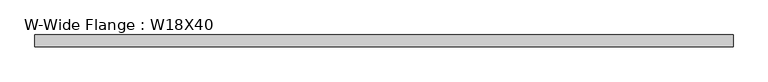
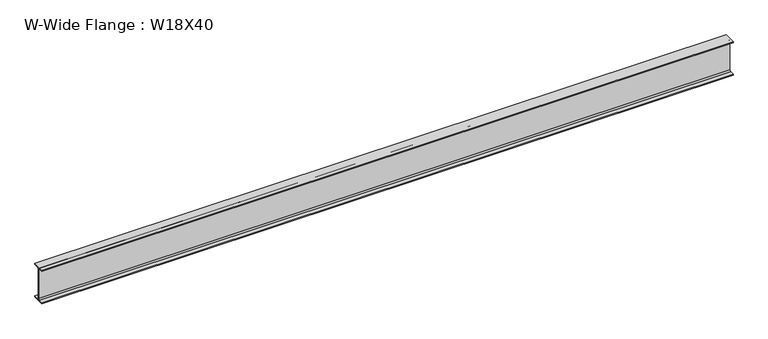
"""IFC4 building model written with IfcOpenShell, lengths in millimetres: beam geometry, W-Wide Flange : W18X40."""

import ifcopenshell
import ifcopenshell.guid

model = None  # the IFC model being written
_history = None  # IfcOwnerHistory: only IFC2X3 demands one
_inside = {}  # id of a spatial element -> (the spatial element, [elements in it])
_under = {}  # id of a project, library or spatial element -> (it, [spatial elements below it])
_declared = {}  # id of a project -> (the project, [libraries it declares])
_typed = {}  # id of a type object -> (the type object, [elements of that type])
_made_of = {}  # id of a material, layer set ... -> (it, [elements and type objects made of it])


def new_model(schema):
    """Start an empty IFC model of exactly this schema.

    Asked for "IFC4X3", IfcOpenShell would pick the latest addendum, in which some entities
    have other attributes; the version numbers below select the first issue.
    IFC2X3 requires an IfcOwnerHistory on every rooted entity: one is made here for all.
    """
    global model, _history
    if schema == "IFC4X3":
        model = ifcopenshell.file(schema_version=(4, 3, 0, 0))
    else:
        model = ifcopenshell.file(schema=schema)
    _inside.clear()
    _under.clear()
    _declared.clear()
    _typed.clear()
    _made_of.clear()
    _history = None
    if model.schema == "IFC2X3":
        org = make("IfcOrganization", Name="unknown")
        user = make(
            "IfcPersonAndOrganization",
            ThePerson=make("IfcPerson", FamilyName="unknown"),
            TheOrganization=org,
        )
        app = make(
            "IfcApplication",
            ApplicationDeveloper=org,
            Version="unknown",
            ApplicationFullName="unknown",
            ApplicationIdentifier="unknown",
        )
        _history = make(
            "IfcOwnerHistory",
            OwningUser=user,
            OwningApplication=app,
            ChangeAction="ADDED",
            CreationDate=0,
        )
    return model


def make(cls, **values):
    """One entity of the class cls with the attributes given. An attribute that is None is left unset."""
    return model.create_entity(
        cls, **{name: value for name, value in values.items() if value is not None}
    )


def rooted(cls, **values):
    """An entity with a GlobalId (a new one), such as an element, a storey or a relation."""
    return make(cls, GlobalId=ifcopenshell.guid.new(), OwnerHistory=_history, **values)


def si_unit(unit_type, name, prefix=None):
    """IfcSIUnit, for example si_unit("LENGTHUNIT", "METRE", prefix="MILLI")."""
    return make("IfcSIUnit", UnitType=unit_type, Prefix=prefix, Name=name)


def assignment(units):
    """IfcUnitAssignment: the units of a project."""
    return None if units is None else make("IfcUnitAssignment", Units=units)


def point(xyz):
    """IfcCartesianPoint."""
    return None if xyz is None else make("IfcCartesianPoint", Coordinates=xyz)


def direction(xyz):
    """IfcDirection."""
    return None if xyz is None else make("IfcDirection", DirectionRatios=xyz)


def frame(location, z_axis=None, x_axis=None):
    """IfcAxis2Placement3D, a coordinate frame: its origin and axes. An axis left out is left unset."""
    return make(
        "IfcAxis2Placement3D",
        Location=point(location),
        Axis=direction(z_axis),
        RefDirection=direction(x_axis),
    )


def frame_2d(location, x_axis=None):
    """IfcAxis2Placement2D, a coordinate frame in the plane: its origin and x axis."""
    return make(
        "IfcAxis2Placement2D", Location=point(location), RefDirection=direction(x_axis)
    )


def origin():
    """The frame at (0, 0, 0) with its axes left unset."""
    return frame((0.0, 0.0, 0.0))


def place(relative_to, where):
    """IfcLocalPlacement: puts the frame where relative to a parent placement (None: the world)."""
    return make(
        "IfcLocalPlacement", PlacementRelTo=relative_to, RelativePlacement=where
    )


def context(
    kind, dimensions, precision=None, world=None, true_north=None, identifier=None
):
    """IfcGeometricRepresentationContext, for example the 3D "Model" context."""
    return make(
        "IfcGeometricRepresentationContext",
        ContextIdentifier=identifier,
        ContextType=kind,
        CoordinateSpaceDimension=dimensions,
        Precision=precision,
        WorldCoordinateSystem=world,
        TrueNorth=true_north,
    )


def project(units=None, contexts=None):
    """IfcProject with its units and contexts."""
    return rooted(
        "IfcProject",
        Name="project",
        RepresentationContexts=contexts,
        UnitsInContext=assignment(units),
    )


def spatial(cls, under=None, at=None, **own):
    """A site, building, storey or space (cls), placed at a placement, below another one or the project."""
    s = rooted(cls, ObjectPlacement=at, **own)
    if under is not None:
        _under.setdefault(under.id(), (under, []))[1].append(s)
    return s


def polyline(points):
    """IfcPolyline through the points."""
    return make("IfcPolyline", Points=[point(p) for p in points])


def circle_curve(where, radius):
    """IfcCircle in the frame where."""
    return make("IfcCircle", Position=where, Radius=radius)


def trimmed(basis, trim1, trim2, sense, master):
    """IfcTrimmedCurve: the piece of a basis curve between two trims."""
    return make(
        "IfcTrimmedCurve",
        BasisCurve=basis,
        Trim1=trim1,
        Trim2=trim2,
        SenseAgreement=sense,
        MasterRepresentation=master,
    )


def segment(curve, same_sense, transition):
    """IfcCompositeCurveSegment."""
    return make(
        "IfcCompositeCurveSegment",
        Transition=transition,
        SameSense=same_sense,
        ParentCurve=curve,
    )


def composite_curve(segments, self_intersect=None):
    """IfcCompositeCurve: segments joined end to end."""
    return make("IfcCompositeCurve", Segments=segments, SelfIntersect=self_intersect)


def outline(outer, holes=None, kind="AREA"):
    """IfcArbitraryClosedProfileDef: a profile drawn as a closed curve; with holes, ...WithVoids."""
    if holes is None:
        return make("IfcArbitraryClosedProfileDef", ProfileType=kind, OuterCurve=outer)
    return make(
        "IfcArbitraryProfileDefWithVoids",
        ProfileType=kind,
        OuterCurve=outer,
        InnerCurves=holes,
    )


def extrude(swept, where, along, depth):
    """IfcExtrudedAreaSolid: the profile swept, set in the frame where, extruded along a direction by depth."""
    return make(
        "IfcExtrudedAreaSolid",
        SweptArea=swept,
        Position=where,
        ExtrudedDirection=direction(along),
        Depth=depth,
    )


def shape(context_of_items, identifier, shape_type, items):
    """IfcShapeRepresentation: the items that make up one representation, for example the "Body"."""
    return make(
        "IfcShapeRepresentation",
        ContextOfItems=context_of_items,
        RepresentationIdentifier=identifier,
        RepresentationType=shape_type,
        Items=items,
    )


def source(mapping_origin, context_of_items, identifier, shape_type, items):
    """IfcRepresentationMap: a shape defined once, which mapped items show again and again."""
    return make(
        "IfcRepresentationMap",
        MappingOrigin=mapping_origin,
        MappedRepresentation=shape(context_of_items, identifier, shape_type, items),
    )


def transform(
    local_origin,
    x_axis=None,
    y_axis=None,
    z_axis=None,
    scale=None,
    scale2=None,
    scale3=None,
    uniform=True,
):
    """IfcCartesianTransformationOperator3D, or its non-uniform kind. x_axis, y_axis, z_axis: its Axis1, 2, 3."""
    if uniform:
        return make(
            "IfcCartesianTransformationOperator3D",
            Axis1=direction(x_axis),
            Axis2=direction(y_axis),
            LocalOrigin=point(local_origin),
            Scale=scale,
            Axis3=direction(z_axis),
        )
    return make(
        "IfcCartesianTransformationOperator3DnonUniform",
        Axis1=direction(x_axis),
        Axis2=direction(y_axis),
        LocalOrigin=point(local_origin),
        Scale=scale,
        Axis3=direction(z_axis),
        Scale2=scale2,
        Scale3=scale3,
    )


def mapped(mapping_source, mapping_target):
    """IfcMappedItem: shows the shape of a source again, moved by a transform."""
    return make(
        "IfcMappedItem", MappingSource=mapping_source, MappingTarget=mapping_target
    )


def made_of(thing, what):
    """Note that an element or type object is made of a material, layer set ...; save() writes the relation."""
    if what is not None:
        _made_of.setdefault(what.id(), (what, []))[1].append(thing)
    return thing


def element(
    cls,
    number,
    at=None,
    inside=None,
    cuts=None,
    type_object=None,
    material=None,
    context=None,
    identifier="Body",
    shape_type=None,
    held_by="IfcProductDefinitionShape",
    body=None,
    shapes=None,
    **own,
):
    """One element of the class cls, such as IfcWall. Its Tag is "e" and its number.

    at: its placement. inside: the storey or other place that contains it. cuts: it is an
    opening in that element (IfcRelVoidsElement). A single representation is given by context,
    identifier, shape_type and body (its items); several are given by shapes. held_by: the class
    of the entity that holds the representations. save() writes the other relations.
    """
    e = rooted(cls, Tag="e%d" % number, ObjectPlacement=at, **own)
    if body is not None:
        shapes = [shape(context, identifier, shape_type, body)]
    if shapes is not None:
        e.Representation = make(held_by, Representations=shapes)
    if inside is not None:
        _inside.setdefault(inside.id(), (inside, []))[1].append(e)
    if cuts is not None:
        rooted(
            "IfcRelVoidsElement", RelatingBuildingElement=cuts, RelatedOpeningElement=e
        )
    if type_object is not None:
        _typed.setdefault(type_object.id(), (type_object, []))[1].append(e)
    return made_of(e, material)


def aggregate(whole, parts):
    """IfcRelAggregates: a whole, such as a stair, and the parts it consists of."""
    return rooted("IfcRelAggregates", RelatingObject=whole, RelatedObjects=parts)


def save(model, path):
    """Write the relations noted so far, then the file.

    IfcRelAggregates (storeys below a building ...), IfcRelContainedInSpatialStructure (elements
    in a storey), IfcRelDefinesByType, IfcRelAssociatesMaterial and IfcRelDeclares: one each for
    every whole, place, type object, material and project.
    """
    for whole, parts in _under.values():
        aggregate(whole, parts)
    for where, things in _inside.values():
        rooted(
            "IfcRelContainedInSpatialStructure",
            RelatedElements=things,
            RelatingStructure=where,
        )
    for kind, things in _typed.values():
        rooted("IfcRelDefinesByType", RelatedObjects=things, RelatingType=kind)
    for what, things in _made_of.values():
        rooted("IfcRelAssociatesMaterial", RelatedObjects=things, RelatingMaterial=what)
    for by, libraries in _declared.values():
        rooted("IfcRelDeclares", RelatingContext=by, RelatedDefinitions=libraries)
    model.write(path)


def w_wide_flange_w18x40_de642dd7(model_context):
    return source(origin(), model_context, "Body", "SweptSolid", [
        extrude(outline(composite_curve([segment(polyline([(76.4480469, -214.0148438), (76.4480469, -227.3101563), (-76.4480469, -227.3101563), (-76.4480469, -214.0148438), (-20.8855469, -214.0148438)]), True, "CONTINUOUS"), segment(trimmed(circle_curve(frame_2d((-20.8855469, -197.1476563)), 16.8671875), [point((-20.8855469, -214.0148438))], [point((-4.0183594, -197.1476563))], True, "CARTESIAN"), True, "CONTINUOUS"), segment(polyline([(-4.0183594, -197.1476563), (-4.0183594, 197.1476562)]), True, "CONTINUOUS"), segment(trimmed(circle_curve(frame_2d((-20.8855469, 197.1476562)), 16.8671875), [point((-4.0183594, 197.1476562))], [point((-20.8855469, 214.0148437))], True, "CARTESIAN"), True, "CONTINUOUS"), segment(polyline([(-20.8855469, 214.0148437), (-76.4480469, 214.0148437), (-76.4480469, 227.3101562), (76.4480469, 227.3101562), (76.4480469, 214.0148437), (20.8855469, 214.0148437)]), True, "CONTINUOUS"), segment(trimmed(circle_curve(frame_2d((20.8855469, 197.1476562)), 16.8671875), [point((20.8855469, 214.0148437))], [point((4.0183594, 197.1476562))], True, "CARTESIAN"), True, "CONTINUOUS"), segment(polyline([(4.0183594, 197.1476562), (4.0183594, -197.1476563)]), True, "CONTINUOUS"), segment(trimmed(circle_curve(frame_2d((20.8855469, -197.1476563)), 16.8671875), [point((4.0183594, -197.1476563))], [point((20.8855469, -214.0148438))], True, "CARTESIAN"), True, "CONTINUOUS"), segment(polyline([(20.8855469, -214.0148438), (76.4480469, -214.0148438)]), True, "CONTINUOUS")], self_intersect=False)), frame((-4432.3, 0.0, 0.0), z_axis=(1.0, 0.0, 0.0), x_axis=(0.0, 1.0, 0.0)), (0.0, 0.0, 1.0), 8864.6),
    ])


if __name__ == "__main__":
    model = new_model("IFC4")
    model_context = context("Model", 3, world=origin())
    ifc_project = project(units=[si_unit("LENGTHUNIT", "METRE", prefix="MILLI")], contexts=[model_context])
    site = spatial("IfcSite", under=ifc_project)
    building = spatial("IfcBuilding", under=site)
    placement = place(None, origin())
    w_wide_flange_w18x40_shape = w_wide_flange_w18x40_de642dd7(model_context)
    element("IfcBeam", 1, ObjectType="W-Wide Flange : W18X40", at=placement, inside=building, context=model_context, shape_type="MappedRepresentation", body=[
        mapped(w_wide_flange_w18x40_shape, transform((0.0, 0.0, 0.0), x_axis=(1.0, 0.0, 0.0), y_axis=(0.0, 1.0, 0.0), z_axis=(0.0, 0.0, 1.0))),
    ])
    save(model, "model.ifc")
